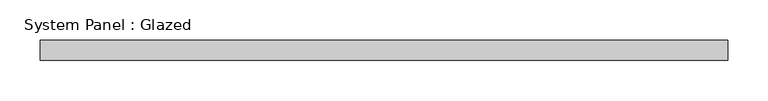
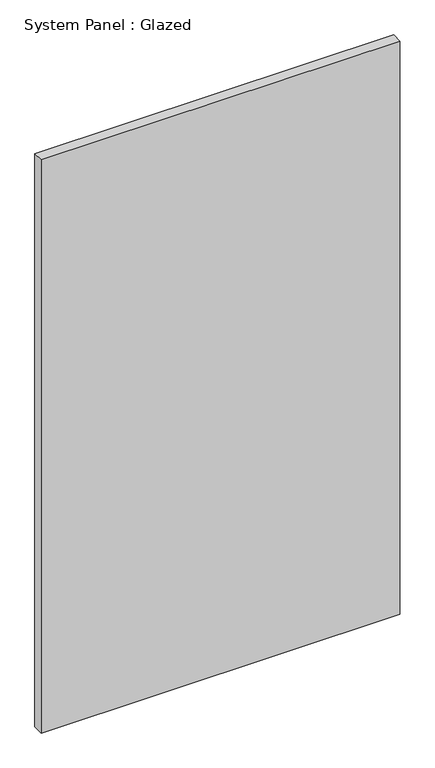
"""IFC4 building model written with IfcOpenShell, lengths in millimetres: plate geometry, System Panel : Glazed."""

from ifc_helpers import new_model, si_unit, origin, origin_with_axes, place, context, project, spatial, polyline, outline, extrude, source, transform, mapped, element, save


def system_panel_glazed_491211cd(model_context):
    return source(origin(), model_context, "Body", "SweptSolid", [
        extrude(outline(polyline([(428.625, 19.05), (-428.625, 19.05), (-428.625, 44.45), (428.625, 44.45), (428.625, 19.05)])), origin_with_axes(), (0.0, 0.0, 1.0), 1447.8),
    ])


if __name__ == "__main__":
    model = new_model("IFC4")
    model_context = context("Model", 3, world=origin())
    ifc_project = project(units=[si_unit("LENGTHUNIT", "METRE", prefix="MILLI")], contexts=[model_context])
    site = spatial("IfcSite", under=ifc_project)
    building = spatial("IfcBuilding", under=site)
    placement = place(None, origin())
    system_panel_glazed_shape = system_panel_glazed_491211cd(model_context)
    element("IfcPlate", 1, ObjectType="System Panel : Glazed", at=placement, inside=building, context=model_context, shape_type="MappedRepresentation", body=[
        mapped(system_panel_glazed_shape, transform((0.0, 0.0, 0.0), x_axis=(1.0, 0.0, 0.0), y_axis=(0.0, 1.0, 0.0), z_axis=(0.0, 0.0, 1.0))),
    ])
    save(model, "model.ifc")
